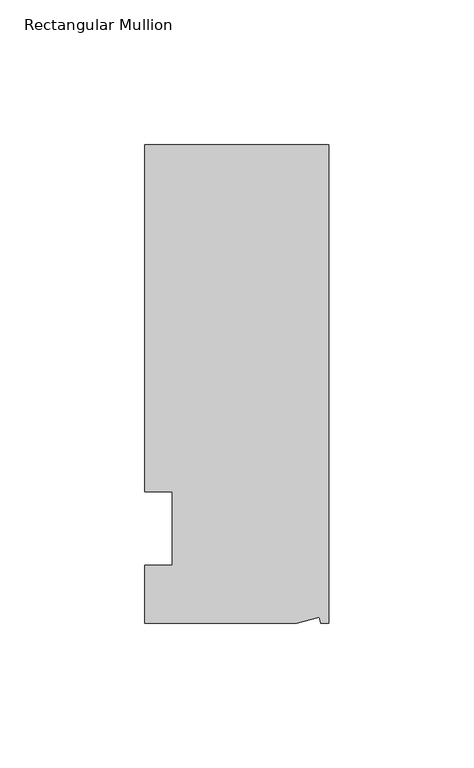
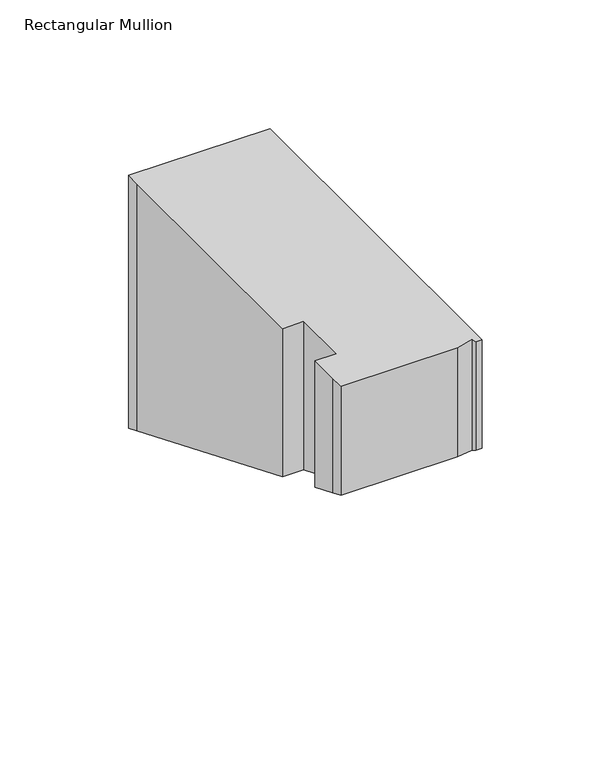
"""IFC4 building model written with IfcOpenShell, lengths in millimetres: member geometry, Rectangular Mullion."""

import ifcopenshell
import ifcopenshell.guid

model = None  # the IFC model being written
_history = None  # IfcOwnerHistory: only IFC2X3 demands one
_inside = {}  # id of a spatial element -> (the spatial element, [elements in it])
_under = {}  # id of a project, library or spatial element -> (it, [spatial elements below it])
_declared = {}  # id of a project -> (the project, [libraries it declares])
_typed = {}  # id of a type object -> (the type object, [elements of that type])
_made_of = {}  # id of a material, layer set ... -> (it, [elements and type objects made of it])


def new_model(schema):
    """Start an empty IFC model of exactly this schema.

    Asked for "IFC4X3", IfcOpenShell would pick the latest addendum, in which some entities
    have other attributes; the version numbers below select the first issue.
    IFC2X3 requires an IfcOwnerHistory on every rooted entity: one is made here for all.
    """
    global model, _history
    if schema == "IFC4X3":
        model = ifcopenshell.file(schema_version=(4, 3, 0, 0))
    else:
        model = ifcopenshell.file(schema=schema)
    _inside.clear()
    _under.clear()
    _declared.clear()
    _typed.clear()
    _made_of.clear()
    _history = None
    if model.schema == "IFC2X3":
        org = make("IfcOrganization", Name="unknown")
        user = make(
            "IfcPersonAndOrganization",
            ThePerson=make("IfcPerson", FamilyName="unknown"),
            TheOrganization=org,
        )
        app = make(
            "IfcApplication",
            ApplicationDeveloper=org,
            Version="unknown",
            ApplicationFullName="unknown",
            ApplicationIdentifier="unknown",
        )
        _history = make(
            "IfcOwnerHistory",
            OwningUser=user,
            OwningApplication=app,
            ChangeAction="ADDED",
            CreationDate=0,
        )
    return model


def make(cls, **values):
    """One entity of the class cls with the attributes given. An attribute that is None is left unset."""
    return model.create_entity(
        cls, **{name: value for name, value in values.items() if value is not None}
    )


def rooted(cls, **values):
    """An entity with a GlobalId (a new one), such as an element, a storey or a relation."""
    return make(cls, GlobalId=ifcopenshell.guid.new(), OwnerHistory=_history, **values)


def si_unit(unit_type, name, prefix=None):
    """IfcSIUnit, for example si_unit("LENGTHUNIT", "METRE", prefix="MILLI")."""
    return make("IfcSIUnit", UnitType=unit_type, Prefix=prefix, Name=name)


def assignment(units):
    """IfcUnitAssignment: the units of a project."""
    return None if units is None else make("IfcUnitAssignment", Units=units)


def point(xyz):
    """IfcCartesianPoint."""
    return None if xyz is None else make("IfcCartesianPoint", Coordinates=xyz)


def direction(xyz):
    """IfcDirection."""
    return None if xyz is None else make("IfcDirection", DirectionRatios=xyz)


def frame(location, z_axis=None, x_axis=None):
    """IfcAxis2Placement3D, a coordinate frame: its origin and axes. An axis left out is left unset."""
    return make(
        "IfcAxis2Placement3D",
        Location=point(location),
        Axis=direction(z_axis),
        RefDirection=direction(x_axis),
    )


def origin():
    """The frame at (0, 0, 0) with its axes left unset."""
    return frame((0.0, 0.0, 0.0))


def place(relative_to, where):
    """IfcLocalPlacement: puts the frame where relative to a parent placement (None: the world)."""
    return make(
        "IfcLocalPlacement", PlacementRelTo=relative_to, RelativePlacement=where
    )


def context(
    kind, dimensions, precision=None, world=None, true_north=None, identifier=None
):
    """IfcGeometricRepresentationContext, for example the 3D "Model" context."""
    return make(
        "IfcGeometricRepresentationContext",
        ContextIdentifier=identifier,
        ContextType=kind,
        CoordinateSpaceDimension=dimensions,
        Precision=precision,
        WorldCoordinateSystem=world,
        TrueNorth=true_north,
    )


def project(units=None, contexts=None):
    """IfcProject with its units and contexts."""
    return rooted(
        "IfcProject",
        Name="project",
        RepresentationContexts=contexts,
        UnitsInContext=assignment(units),
    )


def spatial(cls, under=None, at=None, **own):
    """A site, building, storey or space (cls), placed at a placement, below another one or the project."""
    s = rooted(cls, ObjectPlacement=at, **own)
    if under is not None:
        _under.setdefault(under.id(), (under, []))[1].append(s)
    return s


def faces_of(points, faces, orient=None, outer=None):
    """IfcFace entities. A face is a list of loops; a loop is a list of indices into points, from 0.

    orient and outer hold one flag for each loop. By default every Orientation is true, the
    first loop of a face is its IfcFaceOuterBound and the others are IfcFaceBound.
    """
    made = []
    for i, loops in enumerate(faces):
        bounds = []
        for j, loop in enumerate(loops):
            is_outer = j == 0 if outer is None else outer[i][j]
            bounds.append(
                make(
                    "IfcFaceOuterBound" if is_outer else "IfcFaceBound",
                    Bound=make("IfcPolyLoop", Polygon=[points[k] for k in loop]),
                    Orientation=True if orient is None else orient[i][j],
                )
            )
        made.append(make("IfcFace", Bounds=bounds))
    return made


def faceted_brep(points, faces, orient=None, outer=None, voids=None):
    """IfcFacetedBrep: a solid bounded by flat faces; with voids (closed shells), ...WithVoids."""
    shared = [point(p) for p in points]
    hull = make("IfcClosedShell", CfsFaces=faces_of(shared, faces, orient, outer))
    if voids is None:
        return make("IfcFacetedBrep", Outer=hull)
    return make(
        "IfcFacetedBrepWithVoids",
        Outer=hull,
        Voids=[
            make(cls, CfsFaces=faces_of(shared, fs, o, b)) for cls, fs, o, b in voids
        ],
    )


def shape(context_of_items, identifier, shape_type, items):
    """IfcShapeRepresentation: the items that make up one representation, for example the "Body"."""
    return make(
        "IfcShapeRepresentation",
        ContextOfItems=context_of_items,
        RepresentationIdentifier=identifier,
        RepresentationType=shape_type,
        Items=items,
    )


def source(mapping_origin, context_of_items, identifier, shape_type, items):
    """IfcRepresentationMap: a shape defined once, which mapped items show again and again."""
    return make(
        "IfcRepresentationMap",
        MappingOrigin=mapping_origin,
        MappedRepresentation=shape(context_of_items, identifier, shape_type, items),
    )


def transform(
    local_origin,
    x_axis=None,
    y_axis=None,
    z_axis=None,
    scale=None,
    scale2=None,
    scale3=None,
    uniform=True,
):
    """IfcCartesianTransformationOperator3D, or its non-uniform kind. x_axis, y_axis, z_axis: its Axis1, 2, 3."""
    if uniform:
        return make(
            "IfcCartesianTransformationOperator3D",
            Axis1=direction(x_axis),
            Axis2=direction(y_axis),
            LocalOrigin=point(local_origin),
            Scale=scale,
            Axis3=direction(z_axis),
        )
    return make(
        "IfcCartesianTransformationOperator3DnonUniform",
        Axis1=direction(x_axis),
        Axis2=direction(y_axis),
        LocalOrigin=point(local_origin),
        Scale=scale,
        Axis3=direction(z_axis),
        Scale2=scale2,
        Scale3=scale3,
    )


def mapped(mapping_source, mapping_target):
    """IfcMappedItem: shows the shape of a source again, moved by a transform."""
    return make(
        "IfcMappedItem", MappingSource=mapping_source, MappingTarget=mapping_target
    )


def made_of(thing, what):
    """Note that an element or type object is made of a material, layer set ...; save() writes the relation."""
    if what is not None:
        _made_of.setdefault(what.id(), (what, []))[1].append(thing)
    return thing


def element(
    cls,
    number,
    at=None,
    inside=None,
    cuts=None,
    type_object=None,
    material=None,
    context=None,
    identifier="Body",
    shape_type=None,
    held_by="IfcProductDefinitionShape",
    body=None,
    shapes=None,
    **own,
):
    """One element of the class cls, such as IfcWall. Its Tag is "e" and its number.

    at: its placement. inside: the storey or other place that contains it. cuts: it is an
    opening in that element (IfcRelVoidsElement). A single representation is given by context,
    identifier, shape_type and body (its items); several are given by shapes. held_by: the class
    of the entity that holds the representations. save() writes the other relations.
    """
    e = rooted(cls, Tag="e%d" % number, ObjectPlacement=at, **own)
    if body is not None:
        shapes = [shape(context, identifier, shape_type, body)]
    if shapes is not None:
        e.Representation = make(held_by, Representations=shapes)
    if inside is not None:
        _inside.setdefault(inside.id(), (inside, []))[1].append(e)
    if cuts is not None:
        rooted(
            "IfcRelVoidsElement", RelatingBuildingElement=cuts, RelatedOpeningElement=e
        )
    if type_object is not None:
        _typed.setdefault(type_object.id(), (type_object, []))[1].append(e)
    return made_of(e, material)


def aggregate(whole, parts):
    """IfcRelAggregates: a whole, such as a stair, and the parts it consists of."""
    return rooted("IfcRelAggregates", RelatingObject=whole, RelatedObjects=parts)


def save(model, path):
    """Write the relations noted so far, then the file.

    IfcRelAggregates (storeys below a building ...), IfcRelContainedInSpatialStructure (elements
    in a storey), IfcRelDefinesByType, IfcRelAssociatesMaterial and IfcRelDeclares: one each for
    every whole, place, type object, material and project.
    """
    for whole, parts in _under.values():
        aggregate(whole, parts)
    for where, things in _inside.values():
        rooted(
            "IfcRelContainedInSpatialStructure",
            RelatedElements=things,
            RelatingStructure=where,
        )
    for kind, things in _typed.values():
        rooted("IfcRelDefinesByType", RelatedObjects=things, RelatingType=kind)
    for what, things in _made_of.values():
        rooted("IfcRelAssociatesMaterial", RelatedObjects=things, RelatingMaterial=what)
    for by, libraries in _declared.values():
        rooted("IfcRelDeclares", RelatingContext=by, RelatedDefinitions=libraries)
    model.write(path)


def rectangular_mullion_be73382a(model_context):
    return source(origin(), model_context, "Body", "Brep", [
        faceted_brep([(0.0, 132.5561012, 0.0), (-63.5, 132.5561012, 0.0), (-63.5, 126.2061012, 0.0), (-63.5, 12.8054199, 0.0), (-53.975, 12.8054199, 0.0), (-53.975, -12.5945801, 0.0), (-63.5, -12.5945801, 0.0), (-63.5, -26.1938988, 0.0), (-63.5, -32.5438988, 0.0), (-11.121847, -32.5438988, 0.0), (-3.3341886, -30.4622958, 0.0), (-2.7616541, -32.5438988, 0.0), (0.0, -32.5438988, 0.0), (0.0, 132.5561012, -119.9940349), (-63.5, 132.5561012, -119.9940349), (-63.5, 126.2061012, -117.3637788), (-63.5, 12.8054199, -70.3916786), (-53.975, 12.8054199, -70.3916786), (-53.975, -12.5945801, -59.8706541), (-63.5, -12.5945801, -59.8706541), (-63.5, -26.1938988, -54.2376319), (-63.5, -32.5438988, -51.6073757), (-11.121847, -32.5438988, -51.6073757), (-3.3341886, -30.4622958, -52.469604), (-2.7616541, -32.5438988, -51.6073757), (0.0, -32.5438988, -51.6073757)], [[[0, 1, 2, 3, 4, 5, 6, 7, 8, 9, 10, 11, 12]], [[1, 0, 13, 14]], [[2, 1, 14, 15]], [[3, 2, 15, 16]], [[4, 3, 16, 17]], [[5, 4, 17, 18]], [[6, 5, 18, 19]], [[7, 6, 19, 20]], [[8, 7, 20, 21]], [[9, 8, 21, 22]], [[10, 9, 22, 23]], [[11, 10, 23, 24]], [[12, 11, 24, 25]], [[0, 12, 25, 13]], [[13, 25, 24, 23, 22, 21, 20, 19, 18, 17, 16, 15, 14]]]),
    ])


if __name__ == "__main__":
    model = new_model("IFC4")
    model_context = context("Model", 3, world=origin())
    ifc_project = project(units=[si_unit("LENGTHUNIT", "METRE", prefix="MILLI")], contexts=[model_context])
    site = spatial("IfcSite", under=ifc_project)
    building = spatial("IfcBuilding", under=site)
    placement = place(None, origin())
    rectangular_mullion_shape = rectangular_mullion_be73382a(model_context)
    element("IfcMember", 1, ObjectType="Rectangular Mullion", at=placement, inside=building, context=model_context, shape_type="MappedRepresentation", body=[
        mapped(rectangular_mullion_shape, transform((0.0, 0.0, 0.0), x_axis=(1.0, 0.0, 0.0), y_axis=(0.0, 1.0, 0.0), z_axis=(0.0, 0.0, 1.0))),
    ])
    save(model, "model.ifc")
